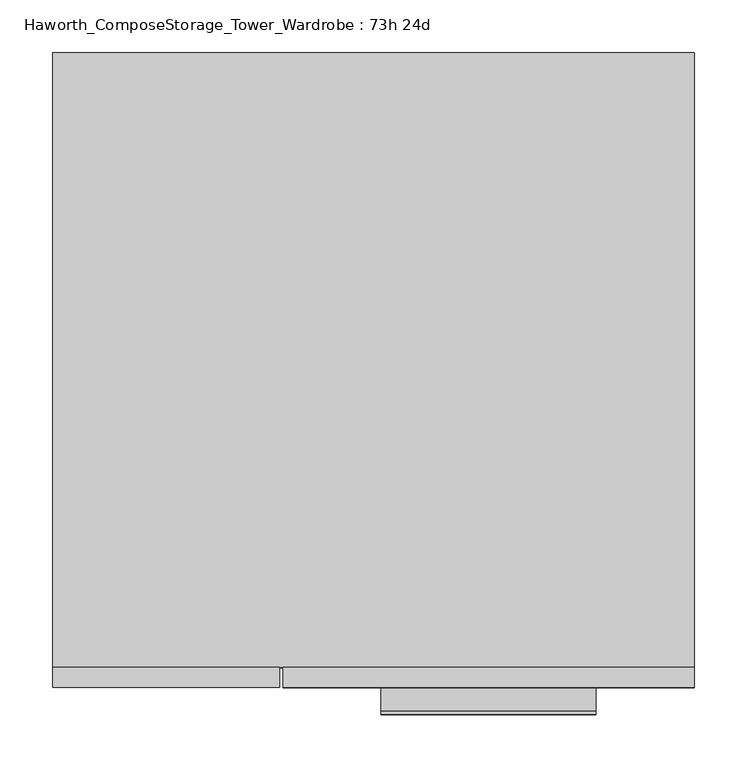
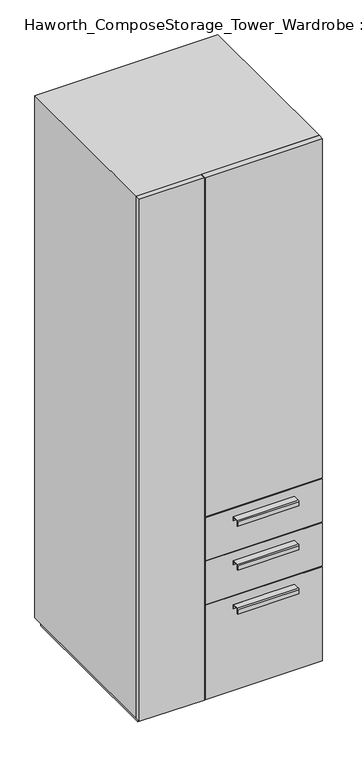
"""IFC4 building model written with IfcOpenShell, lengths in millimetres: furniture geometry, Haworth_ComposeStorage_Tower_Wardrobe : 73h 24d."""

from ifc_helpers import new_model, si_unit, point, frame, frame_2d, origin, origin_with_axes, place, context, project, spatial, polyline, circle_curve, trimmed, segment, composite_curve, outline, extrude, faceted_brep, source, transform, mapped, element, save


def haworth_composestorage_tower_wardrobe_73h_24d_5bb3889a(model_context):
    return source(origin(), model_context, "Body", "SolidModel", [
        extrude(outline(composite_curve([segment(polyline([(-331.7875242, 633.9919215), (-309.5625, 633.9919215), (-309.5625, 620.5299525), (-310.3562742, 620.5299525), (-310.3562742, 633.1982199), (-331.7875242, 633.1982199)]), True, "CONTINUOUS"), segment(trimmed(circle_curve(frame_2d((-331.7875242, 630.8142808)), 2.3839392), [point((-331.7875242, 633.1982199))], [point((-334.1714634, 630.8142808))], True, "CARTESIAN"), True, "CONTINUOUS"), segment(polyline([(-334.1714634, 630.8142808), (-334.1714634, 616.2119021), (-334.9624758, 616.2119021), (-334.9624758, 630.8169699)]), True, "CONTINUOUS"), segment(trimmed(circle_curve(frame_2d((-331.7875242, 630.8169699)), 3.1749516), [point((-334.9624758, 630.8169699))], [point((-331.7875242, 633.9919215))], False, "CARTESIAN"), True, "CONTINUOUS")], self_intersect=False)), frame((7.1576406, 0.0, 0.0), z_axis=(1.0, 0.0, 0.0), x_axis=(0.0, 1.0, 0.0)), (0.0, 0.0, 1.0), 203.2),
        extrude(outline(polyline([(303.2263906, -290.5125), (303.2263906, -309.5625), (-85.7111094, -309.5625), (-85.7111094, -290.5125), (303.2263906, -290.5125)])), frame((0.0, 0.0, 512.7625), z_axis=(0.0, 0.0, 1.0), x_axis=(1.0, 0.0, 0.0)), (0.0, 0.0, 1.0), 150.8125),
        extrude(outline(composite_curve([segment(polyline([(-331.7875242, 480.0044215), (-309.5625, 480.0044215), (-309.5625, 466.5424525), (-310.3562742, 466.5424525), (-310.3562742, 479.2107199), (-331.7875242, 479.2107199)]), True, "CONTINUOUS"), segment(trimmed(circle_curve(frame_2d((-331.7875242, 476.8267808)), 2.3839392), [point((-331.7875242, 479.2107199))], [point((-334.1714634, 476.8267808))], True, "CARTESIAN"), True, "CONTINUOUS"), segment(polyline([(-334.1714634, 476.8267808), (-334.1714634, 462.2244021), (-334.9624758, 462.2244021), (-334.9624758, 476.8294699)]), True, "CONTINUOUS"), segment(trimmed(circle_curve(frame_2d((-331.7875242, 476.8294699)), 3.1749516), [point((-334.9624758, 476.8294699))], [point((-331.7875242, 480.0044215))], False, "CARTESIAN"), True, "CONTINUOUS")], self_intersect=False)), frame((7.1576406, 0.0, 0.0), z_axis=(1.0, 0.0, 0.0), x_axis=(0.0, 1.0, 0.0)), (0.0, 0.0, 1.0), 203.2),
        extrude(outline(polyline([(303.2263906, -290.5125), (303.2263906, -309.5625), (-85.7111094, -309.5625), (-85.7111094, -290.5125), (303.2263906, -290.5125)])), frame((0.0, 0.0, 358.775), z_axis=(0.0, 0.0, 1.0), x_axis=(1.0, 0.0, 0.0)), (0.0, 0.0, 1.0), 150.8125),
        extrude(outline(composite_curve([segment(polyline([(-331.7875242, 326.0169215), (-309.5625, 326.0169215), (-309.5625, 312.5549525), (-310.3562742, 312.5549525), (-310.3562742, 325.2232199), (-331.7875242, 325.2232199)]), True, "CONTINUOUS"), segment(trimmed(circle_curve(frame_2d((-331.7875242, 322.8392808)), 2.3839392), [point((-331.7875242, 325.2232199))], [point((-334.1714634, 322.8392808))], True, "CARTESIAN"), True, "CONTINUOUS"), segment(polyline([(-334.1714634, 322.8392808), (-334.1714634, 308.2369021), (-334.9624758, 308.2369021), (-334.9624758, 322.8419699)]), True, "CONTINUOUS"), segment(trimmed(circle_curve(frame_2d((-331.7875242, 322.8419699)), 3.1749516), [point((-334.9624758, 322.8419699))], [point((-331.7875242, 326.0169215))], False, "CARTESIAN"), True, "CONTINUOUS")], self_intersect=False)), frame((7.1576406, 0.0, 0.0), z_axis=(1.0, 0.0, 0.0), x_axis=(0.0, 1.0, 0.0)), (0.0, 0.0, 1.0), 203.2),
        extrude(outline(polyline([(303.2263906, -290.5125), (303.2263906, -309.5625), (-85.7111094, -309.5625), (-85.7111094, -290.5125), (303.2263906, -290.5125)])), frame((0.0, 0.0, 25.4), z_axis=(0.0, 0.0, 1.0), x_axis=(1.0, 0.0, 0.0)), (0.0, 0.0, 1.0), 330.2),
        extrude(outline(polyline([(303.2263906, -290.5125), (303.2263906, -309.5625), (-85.7111094, -309.5625), (-85.7111094, -290.5125), (303.2263906, -290.5125)])), frame((0.0, 0.0, 666.75), z_axis=(0.0, 0.0, 1.0), x_axis=(1.0, 0.0, 0.0)), (0.0, 0.0, 1.0), 1187.45),
        extrude(outline(polyline([(-303.1986094, -309.5625), (-303.1986094, -290.5125), (-88.8861094, -290.5125), (-88.8861094, -309.5625), (-303.1986094, -309.5625)])), frame((0.0, 0.0, 25.4), z_axis=(0.0, 0.0, 1.0), x_axis=(1.0, 0.0, 0.0)), (0.0, 0.0, 1.0), 1828.8),
        faceted_brep([(-303.1986094, -290.5125, 25.4), (303.2263906, -290.5125, 25.4), (303.2263906, -290.5125, 1854.2), (-303.1986094, -290.5125, 1854.2), (-284.1486094, -290.5125, 44.45), (-284.1486094, -290.5125, 1835.15), (284.1694453, -290.5125, 1835.15), (284.1694453, -290.5125, 44.45), (-303.1986094, 290.5125, 25.4), (-303.1986094, 290.5125, 1854.2), (303.2263906, 290.5125, 1854.2), (303.2263906, 290.5125, 25.4), (-284.1486094, 271.4625, 44.45), (-284.1486094, 271.4625, 1835.15), (284.1694453, 271.4625, 1835.15), (284.1694453, 271.4625, 44.45)], [[[0, 1, 2, 3], [4, 5, 6, 7]], [[8, 9, 10, 11]], [[1, 0, 8, 11]], [[2, 1, 11, 10]], [[3, 2, 10, 9]], [[0, 3, 9, 8]], [[5, 4, 12, 13]], [[6, 5, 13, 14]], [[7, 6, 14, 15]], [[4, 7, 15, 12]], [[13, 12, 15, 14]]]),
        extrude(outline(polyline([(290.5263906, -277.8125), (-290.4986094, -277.8125), (-290.4986094, 277.8125), (290.5263906, 277.8125), (290.5263906, -277.8125)])), origin_with_axes(), (0.0, 0.0, 1.0), 25.4),
    ])


if __name__ == "__main__":
    model = new_model("IFC4")
    model_context = context("Model", 3, world=origin())
    ifc_project = project(units=[si_unit("LENGTHUNIT", "METRE", prefix="MILLI")], contexts=[model_context])
    site = spatial("IfcSite", under=ifc_project)
    building = spatial("IfcBuilding", under=site)
    placement = place(None, origin())
    haworth_composestorage_tower_wardrobe_73h_24d_shape = haworth_composestorage_tower_wardrobe_73h_24d_5bb3889a(model_context)
    element("IfcFurniture", 1, ObjectType="Haworth_ComposeStorage_Tower_Wardrobe : 73h 24d", at=placement, inside=building, context=model_context, shape_type="MappedRepresentation", body=[
        mapped(haworth_composestorage_tower_wardrobe_73h_24d_shape, transform((0.0, 0.0, 0.0), x_axis=(1.0, 0.0, 0.0), y_axis=(0.0, 1.0, 0.0), z_axis=(0.0, 0.0, 1.0))),
    ])
    save(model, "model.ifc")
